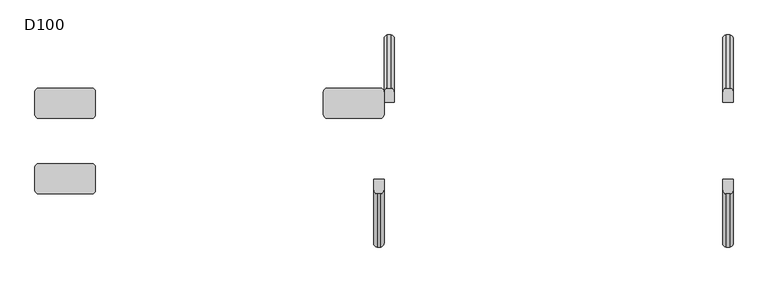
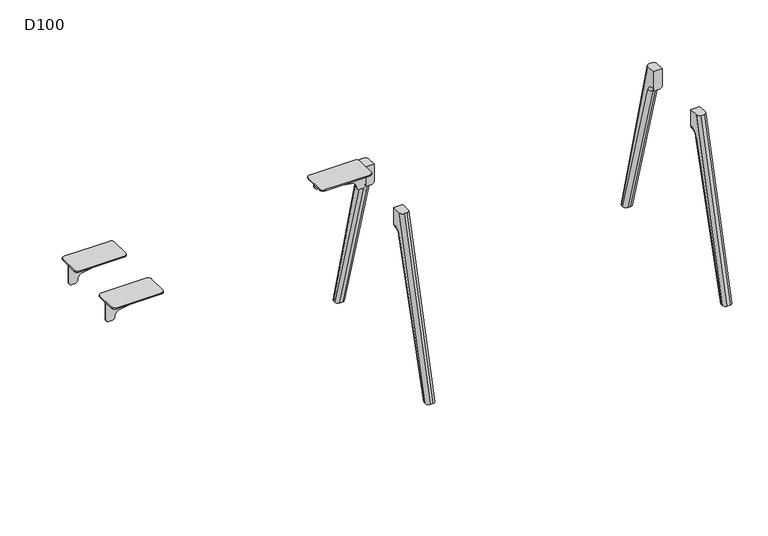
"""IFC4 building model written with IfcOpenShell, lengths in millimetres: furniture geometry, D100."""

from ifc_helpers import new_model, si_unit, point, frame, origin, place, context, project, spatial, polyline, circle_curve, ellipse_curve, trimmed, source, transform, mapped, element, save
from ifc_brep_helpers import plane_surface, cylinder_surface, revolved_surface, advanced_brep


def d100_d6669118(model_context):
    return source(origin(), model_context, "Body", "AdvancedBrep", [
        advanced_brep(
        [(-69.7259826, 165.2234902, 821.5334099), (-243.5086325, 165.2234902, 852.5006338), (-260.0, 165.2234902, 872.1904661), (-260.0, 165.2234902, 880.0006338), (0.0, 165.2234902, 880.0006338), (0.0, 165.2234902, 791.0006338), (-15.0, 165.2234902, 776.0006338), (-30.0, 165.2234902, 776.0006338), (-44.9963104, 165.2234902, 791.3333097), (-69.7259826, 159.2234902, 821.5334099), (-44.9963104, 159.2234902, 791.3333097), (-30.0, 159.2234902, 776.0006338), (-15.0, 159.2234902, 776.0006338), (0.0, 159.2234902, 791.0006338), (0.0, 159.2234902, 880.0006338), (-260.0, 159.2234902, 880.0006338), (-260.0, 159.2234902, 872.1904661), (-243.5086325, 159.2234902, 852.5006338), (0.0, 113.2234902, 886.0006338), (0.0, 113.2234902, 880.0006338), (0.0, 211.2234902, 880.0006338), (0.0, 211.2234902, 886.0006338), (-16.0, 227.2234902, 886.0006338), (-244.0, 227.2234902, 886.0006338), (-260.0, 211.2234902, 886.0006338), (-260.0, 113.2234902, 886.0006338), (-244.0, 97.2234902, 886.0006338), (-16.0, 97.2234902, 886.0006338), (-260.0, 211.2234902, 880.0006338), (-260.0, 113.2234902, 880.0006338), (-16.0, 97.2234902, 880.0006338), (-244.0, 97.2234902, 880.0006338), (-244.0, 227.2234902, 880.0006338), (-16.0, 227.2234902, 880.0006338)],
        [
            (0, 1),
            (1, 2, circle_curve(frame((-240.0, 165.2234902, 872.1904661), z_axis=(0.0, 1.0, 0.0), x_axis=(1.0, 0.0, 0.0)), 20.0)),
            (2, 3),
            (3, 4),
            (4, 5),
            (5, 6, circle_curve(frame((-15.0, 165.2234902, 791.0006338), z_axis=(0.0, 1.0, 0.0), x_axis=(1.0, 0.0, 0.0)), 15.0)),
            (6, 7),
            (7, 8, circle_curve(frame((-30.0, 165.2234902, 791.0006338), z_axis=(0.0, 1.0, 0.0), x_axis=(1.0, 0.0, 0.0)), 15.0)),
            (8, 0, circle_curve(frame((-74.9889313, 165.2234902, 791.9986614), z_axis=(0.0, -1.0, 0.0), x_axis=(1.0, 0.0, 0.0)), 30.0)),
            (9, 10, circle_curve(frame((-74.9889313, 159.2234902, 791.9986614), z_axis=(0.0, 1.0, 0.0), x_axis=(1.0, 0.0, 0.0)), 30.0)),
            (10, 11, circle_curve(frame((-30.0, 159.2234902, 791.0006338), z_axis=(0.0, -1.0, 0.0), x_axis=(1.0, 0.0, 0.0)), 15.0)),
            (11, 12),
            (12, 13, circle_curve(frame((-15.0, 159.2234902, 791.0006338), z_axis=(0.0, -1.0, 0.0), x_axis=(1.0, 0.0, 0.0)), 15.0)),
            (13, 14),
            (14, 15),
            (15, 16),
            (16, 17, circle_curve(frame((-240.0, 159.2234902, 872.1904661), z_axis=(0.0, -1.0, 0.0), x_axis=(1.0, 0.0, 0.0)), 20.0)),
            (17, 9),
            (8, 10),
            (9, 0),
            (18, 19),
            (19, 14),
            (13, 5),
            (4, 20),
            (20, 21),
            (21, 18),
            (21, 22, circle_curve(frame((-16.0, 211.2234902, 886.0006338), z_axis=(0.0, 0.0, 1.0), x_axis=(-1.0, 0.0, 0.0)), 16.0)),
            (22, 23),
            (23, 24, circle_curve(frame((-244.0, 211.2234902, 886.0006338), z_axis=(0.0, 0.0, 1.0), x_axis=(-1.0, 0.0, 0.0)), 16.0)),
            (24, 25),
            (25, 26, circle_curve(frame((-244.0, 113.2234902, 886.0006338), z_axis=(0.0, 0.0, 1.0), x_axis=(-1.0, 0.0, 0.0)), 16.0)),
            (26, 27),
            (27, 18, circle_curve(frame((-16.0, 113.2234902, 886.0006338), z_axis=(0.0, 0.0, 1.0), x_axis=(-1.0, 0.0, 0.0)), 16.0)),
            (24, 28),
            (28, 3),
            (2, 16),
            (15, 29),
            (29, 25),
            (1, 17),
            (7, 11),
            (6, 12),
            (30, 31),
            (31, 29, circle_curve(frame((-244.0, 113.2234902, 880.0006338), z_axis=(0.0, 0.0, -1.0), x_axis=(-1.0, 0.0, 0.0)), 16.0)),
            (19, 30, circle_curve(frame((-16.0, 113.2234902, 880.0006338), z_axis=(0.0, 0.0, -1.0), x_axis=(-1.0, 0.0, 0.0)), 16.0)),
            (28, 32, circle_curve(frame((-244.0, 211.2234902, 880.0006338), z_axis=(0.0, 0.0, -1.0), x_axis=(-1.0, 0.0, 0.0)), 16.0)),
            (32, 33),
            (33, 20, circle_curve(frame((-16.0, 211.2234902, 880.0006338), z_axis=(0.0, 0.0, -1.0), x_axis=(-1.0, 0.0, 0.0)), 16.0)),
            (27, 30),
            (33, 22),
            (32, 23),
            (31, 26),
        ],
        [
            plane_surface(frame((-243.5086325, 165.2234902, 852.5006338), z_axis=(0.0, 1.0000000000000002, 0.0), x_axis=(-0.9844916178685641, 0.0, 0.175431622994651))),
            plane_surface(frame((-243.5086325, 159.2234902, 852.5006338), z_axis=(0.0, -1.0000000000000002, 0.0), x_axis=(0.9844916178685641, 0.0, -0.175431622994651))),
            revolved_surface(polyline([(-44.988931300000004, 159.2234902, 791.9986614), (-44.988931300000004, 165.2234902, 791.9986614)]), (-74.9889313, 159.2234902, 791.9986614), (0.0, -1.0, 0.0)),
            plane_surface(frame((0.0, 165.2234902, 886.0006338), z_axis=(1.0, 0.0, 0.0), x_axis=(0.0, -1.0, 0.0))),
            plane_surface(frame((-260.0, 165.2234902, 886.0006338), z_axis=(0.0, 0.0, 1.0), x_axis=(0.0, -1.0, 0.0))),
            plane_surface(frame((-260.0, 165.2234902, 872.1904661), z_axis=(-1.0, 0.0, 0.0), x_axis=(0.0, -1.0, 0.0))),
            cylinder_surface(frame((-240.0, 159.2234902, 872.1904661), z_axis=(0.0, 1.0, 0.0), x_axis=(1.0, 0.0, 0.0)), 20.0),
            plane_surface(frame((-69.7259826, 165.2234902, 821.5334099), z_axis=(-0.175431622994651, 0.0, -0.9844916178685641), x_axis=(0.0, -1.0, 0.0))),
            cylinder_surface(frame((-30.0, 159.2234902, 791.0006338), z_axis=(0.0, 1.0, 0.0), x_axis=(1.0, 0.0, 0.0)), 15.0),
            plane_surface(frame((-15.0, 165.2234902, 776.0006338), z_axis=(0.0, 0.0, -1.0), x_axis=(0.0, -1.0, 0.0))),
            cylinder_surface(frame((-15.0, 159.2234902, 791.0006338), z_axis=(0.0, 1.0, 0.0), x_axis=(1.0, 0.0, 0.0)), 15.0),
            plane_surface(frame((-32.0, 113.2234902, 880.0006338), z_axis=(0.0, 0.0, -1.0), x_axis=(0.0, 1.0, 0.0))),
            cylinder_surface(frame((-16.0, 113.2234902, 880.0006338), z_axis=(0.0, 0.0, 1.0), x_axis=(-1.0, 0.0, 0.0)), 16.0),
            cylinder_surface(frame((-16.0, 211.2234902, 880.0006338), z_axis=(0.0, 0.0, 1.0), x_axis=(-1.0, 0.0, 0.0)), 16.0),
            plane_surface(frame((-16.0, 227.2234902, 886.0006338), z_axis=(0.0, 1.0, 0.0), x_axis=(0.0, 0.0, -1.0))),
            cylinder_surface(frame((-244.0, 211.2234902, 880.0006338), z_axis=(0.0, 0.0, 1.0), x_axis=(-1.0, 0.0, 0.0)), 16.0),
            cylinder_surface(frame((-244.0, 113.2234902, 880.0006338), z_axis=(0.0, 0.0, 1.0), x_axis=(-1.0, 0.0, 0.0)), 16.0),
            plane_surface(frame((-244.0, 97.2234902, 886.0006338), z_axis=(0.0, -1.0, 0.0), x_axis=(0.0, 0.0, -1.0))),
        ],
        [
            (0, [[1, 2, 3, 4, 5, 6, 7, 8, 9]]),
            (1, [[10, 11, 12, 13, 14, 15, 16, 17, 18]]),
            (2, [[-9, 19, -10, 20]]),
            (3, [[21, 22, -14, 23, -5, 24, 25, 26]]),
            (4, [[-26, 27, 28, 29, 30, 31, 32, 33]]),
            (5, [[-30, 34, 35, -3, 36, -16, 37, 38]]),
            (6, [[-2, 39, -17, -36]]),
            (7, [[-1, -20, -18, -39]]),
            (8, [[-8, 40, -11, -19]]),
            (9, [[-7, 41, -12, -40]]),
            (10, [[-6, -23, -13, -41]]),
            (11, [[42, 43, -37, -15, -22, 44]]),
            (11, [[45, 46, 47, -24, -4, -35]]),
            (12, [[-33, 48, -44, -21]]),
            (13, [[-27, -25, -47, 49]]),
            (14, [[-28, -49, -46, 50]]),
            (15, [[-29, -50, -45, -34]]),
            (16, [[-31, -38, -43, 51]]),
            (17, [[-32, -51, -42, -48]]),
        ],
    ),
        advanced_brep(
        [(-1429.2740174, -165.2234902, 821.5334099), (-1255.4913675, -165.2234902, 852.5006338), (-1239.0, -165.2234902, 872.1904661), (-1239.0, -165.2234902, 880.0006338), (-1499.0, -165.2234902, 880.0006338), (-1499.0, -165.2234902, 791.0006338), (-1484.0, -165.2234902, 776.0006338), (-1469.0, -165.2234902, 776.0006338), (-1454.0036896, -165.2234902, 791.3333097), (-1429.2740174, -159.2234902, 821.5334099), (-1454.0036896, -159.2234902, 791.3333097), (-1469.0, -159.2234902, 776.0006338), (-1484.0, -159.2234902, 776.0006338), (-1499.0, -159.2234902, 791.0006338), (-1499.0, -159.2234902, 880.0006338), (-1239.0, -159.2234902, 880.0006338), (-1239.0, -159.2234902, 872.1904661), (-1255.4913675, -159.2234902, 852.5006338), (-1499.0, -113.2234902, 886.0006338), (-1499.0, -113.2234902, 880.0006338), (-1499.0, -211.2234902, 880.0006338), (-1499.0, -211.2234902, 886.0006338), (-1483.0, -227.2234902, 886.0006338), (-1255.0, -227.2234902, 886.0006338), (-1239.0, -211.2234902, 886.0006338), (-1239.0, -113.2234902, 886.0006338), (-1255.0, -97.2234902, 886.0006338), (-1483.0, -97.2234902, 886.0006338), (-1239.0, -211.2234902, 880.0006338), (-1239.0, -113.2234902, 880.0006338), (-1483.0, -97.2234902, 880.0006338), (-1255.0, -97.2234902, 880.0006338), (-1255.0, -227.2234902, 880.0006338), (-1483.0, -227.2234902, 880.0006338)],
        [
            (0, 1),
            (1, 2, circle_curve(frame((-1259.0, -165.2234902, 872.1904661), z_axis=(0.0, -1.0, 0.0), x_axis=(-1.0, 0.0, 0.0)), 20.0)),
            (2, 3),
            (3, 4),
            (4, 5),
            (5, 6, circle_curve(frame((-1484.0, -165.2234902, 791.0006338), z_axis=(0.0, -1.0, 0.0), x_axis=(-1.0, 0.0, 0.0)), 15.0)),
            (6, 7),
            (7, 8, circle_curve(frame((-1469.0, -165.2234902, 791.0006338), z_axis=(0.0, -1.0, 0.0), x_axis=(-1.0, 0.0, 0.0)), 15.0)),
            (8, 0, circle_curve(frame((-1424.0110687, -165.2234902, 791.9986614), z_axis=(0.0, 1.0, 0.0), x_axis=(-1.0, 0.0, 0.0)), 30.0)),
            (9, 10, circle_curve(frame((-1424.0110687, -159.2234902, 791.9986614), z_axis=(0.0, -1.0, 0.0), x_axis=(-1.0, 0.0, 0.0)), 30.0)),
            (10, 11, circle_curve(frame((-1469.0, -159.2234902, 791.0006338), z_axis=(0.0, 1.0, 0.0), x_axis=(-1.0, 0.0, 0.0)), 15.0)),
            (11, 12),
            (12, 13, circle_curve(frame((-1484.0, -159.2234902, 791.0006338), z_axis=(0.0, 1.0, 0.0), x_axis=(-1.0, 0.0, 0.0)), 15.0)),
            (13, 14),
            (14, 15),
            (15, 16),
            (16, 17, circle_curve(frame((-1259.0, -159.2234902, 872.1904661), z_axis=(0.0, 1.0, 0.0), x_axis=(-1.0, 0.0, 0.0)), 20.0)),
            (17, 9),
            (8, 10),
            (9, 0),
            (18, 19),
            (19, 14),
            (13, 5),
            (4, 20),
            (20, 21),
            (21, 18),
            (21, 22, circle_curve(frame((-1483.0, -211.2234902, 886.0006338), z_axis=(0.0, 0.0, 1.0), x_axis=(1.0, 0.0, 0.0)), 16.0)),
            (22, 23),
            (23, 24, circle_curve(frame((-1255.0, -211.2234902, 886.0006338), z_axis=(0.0, 0.0, 1.0), x_axis=(1.0, 0.0, 0.0)), 16.0)),
            (24, 25),
            (25, 26, circle_curve(frame((-1255.0, -113.2234902, 886.0006338), z_axis=(0.0, 0.0, 1.0), x_axis=(1.0, 0.0, 0.0)), 16.0)),
            (26, 27),
            (27, 18, circle_curve(frame((-1483.0, -113.2234902, 886.0006338), z_axis=(0.0, 0.0, 1.0), x_axis=(1.0, 0.0, 0.0)), 16.0)),
            (24, 28),
            (28, 3),
            (2, 16),
            (15, 29),
            (29, 25),
            (1, 17),
            (7, 11),
            (6, 12),
            (30, 31),
            (31, 29, circle_curve(frame((-1255.0, -113.2234902, 880.0006338), z_axis=(0.0, 0.0, -1.0), x_axis=(1.0, 0.0, 0.0)), 16.0)),
            (19, 30, circle_curve(frame((-1483.0, -113.2234902, 880.0006338), z_axis=(0.0, 0.0, -1.0), x_axis=(1.0, 0.0, 0.0)), 16.0)),
            (28, 32, circle_curve(frame((-1255.0, -211.2234902, 880.0006338), z_axis=(0.0, 0.0, -1.0), x_axis=(1.0, 0.0, 0.0)), 16.0)),
            (32, 33),
            (33, 20, circle_curve(frame((-1483.0, -211.2234902, 880.0006338), z_axis=(0.0, 0.0, -1.0), x_axis=(1.0, 0.0, 0.0)), 16.0)),
            (27, 30),
            (33, 22),
            (32, 23),
            (31, 26),
        ],
        [
            plane_surface(frame((-1255.4913675, -165.2234902, 852.5006338), z_axis=(0.0, -1.0, 0.0), x_axis=(0.9844916178685639, 0.0, 0.17543162299465165))),
            plane_surface(frame((-1255.4913675, -159.2234902, 852.5006338), z_axis=(0.0, 1.0, 0.0), x_axis=(-0.9844916178685639, 0.0, -0.17543162299465165))),
            revolved_surface(polyline([(-1454.0110687, -159.2234902, 791.9986614), (-1454.0110687, -165.2234902, 791.9986614)]), (-1424.0110687, -159.2234902, 791.9986614), (0.0, 1.0, 0.0)),
            plane_surface(frame((-1499.0, -165.2234902, 886.0006338), z_axis=(-1.0, 0.0, 0.0), x_axis=(0.0, 1.0, 0.0))),
            plane_surface(frame((-1239.0, -165.2234902, 886.0006338), z_axis=(0.0, 0.0, 1.0), x_axis=(0.0, 1.0, 0.0))),
            plane_surface(frame((-1239.0, -165.2234902, 872.1904661), z_axis=(1.0, 0.0, 0.0), x_axis=(0.0, 1.0, 0.0))),
            cylinder_surface(frame((-1259.0, -159.2234902, 872.1904661), z_axis=(0.0, -1.0, 0.0), x_axis=(-1.0, 0.0, 0.0)), 20.0),
            plane_surface(frame((-1429.2740174, -165.2234902, 821.5334099), z_axis=(0.17543162299465165, 0.0, -0.9844916178685639), x_axis=(0.0, 1.0, 0.0))),
            cylinder_surface(frame((-1469.0, -159.2234902, 791.0006338), z_axis=(0.0, -1.0, 0.0), x_axis=(-1.0, 0.0, 0.0)), 15.0),
            plane_surface(frame((-1484.0, -165.2234902, 776.0006338), z_axis=(0.0, 0.0, -1.0), x_axis=(0.0, 1.0, 0.0))),
            cylinder_surface(frame((-1484.0, -159.2234902, 791.0006338), z_axis=(0.0, -1.0, 0.0), x_axis=(-1.0, 0.0, 0.0)), 15.0),
            plane_surface(frame((-1467.0, -113.2234902, 880.0006338), z_axis=(0.0, 0.0, -1.0), x_axis=(0.0, -1.0, 0.0))),
            cylinder_surface(frame((-1483.0, -113.2234902, 880.0006338), z_axis=(0.0, 0.0, 1.0), x_axis=(1.0, 0.0, 0.0)), 16.0),
            cylinder_surface(frame((-1483.0, -211.2234902, 880.0006338), z_axis=(0.0, 0.0, 1.0), x_axis=(1.0, 0.0, 0.0)), 16.0),
            plane_surface(frame((-1483.0, -227.2234902, 886.0006338), z_axis=(0.0, -1.0, 0.0), x_axis=(0.0, 0.0, -1.0))),
            cylinder_surface(frame((-1255.0, -211.2234902, 880.0006338), z_axis=(0.0, 0.0, 1.0), x_axis=(1.0, 0.0, 0.0)), 16.0),
            cylinder_surface(frame((-1255.0, -113.2234902, 880.0006338), z_axis=(0.0, 0.0, 1.0), x_axis=(1.0, 0.0, 0.0)), 16.0),
            plane_surface(frame((-1255.0, -97.2234902, 886.0006338), z_axis=(0.0, 1.0, 0.0), x_axis=(0.0, 0.0, -1.0))),
        ],
        [
            (0, [[1, 2, 3, 4, 5, 6, 7, 8, 9]]),
            (1, [[10, 11, 12, 13, 14, 15, 16, 17, 18]]),
            (2, [[-9, 19, -10, 20]]),
            (3, [[21, 22, -14, 23, -5, 24, 25, 26]]),
            (4, [[-26, 27, 28, 29, 30, 31, 32, 33]]),
            (5, [[-30, 34, 35, -3, 36, -16, 37, 38]]),
            (6, [[-2, 39, -17, -36]]),
            (7, [[-1, -20, -18, -39]]),
            (8, [[-8, 40, -11, -19]]),
            (9, [[-7, 41, -12, -40]]),
            (10, [[-6, -23, -13, -41]]),
            (11, [[42, 43, -37, -15, -22, 44]]),
            (11, [[45, 46, 47, -24, -4, -35]]),
            (12, [[-33, 48, -44, -21]]),
            (13, [[-27, -25, -47, 49]]),
            (14, [[-28, -49, -46, 50]]),
            (15, [[-29, -50, -45, -34]]),
            (16, [[-31, -38, -43, 51]]),
            (17, [[-32, -51, -42, -48]]),
        ],
    ),
        advanced_brep(
        [(-1429.2740174, 165.2234902, 821.5334099), (-1454.0036896, 165.2234902, 791.3333097), (-1469.0, 165.2234902, 776.0006338), (-1484.0, 165.2234902, 776.0006338), (-1499.0, 165.2234902, 791.0006338), (-1499.0, 165.2234902, 880.0006338), (-1239.0, 165.2234902, 880.0006338), (-1239.0, 165.2234902, 872.1904661), (-1255.4913675, 165.2234902, 852.5006338), (-1429.2740174, 159.2234902, 821.5334099), (-1255.4913675, 159.2234902, 852.5006338), (-1239.0, 159.2234902, 872.1904661), (-1239.0, 159.2234902, 880.0006338), (-1499.0, 159.2234902, 880.0006338), (-1499.0, 159.2234902, 791.0006338), (-1484.0, 159.2234902, 776.0006338), (-1469.0, 159.2234902, 776.0006338), (-1454.0036896, 159.2234902, 791.3333097), (-1499.0, 113.2234902, 880.0006338), (-1499.0, 113.2234902, 886.0006338), (-1499.0, 211.2234902, 886.0006338), (-1499.0, 211.2234902, 880.0006338), (-1483.0, 97.2234902, 886.0006338), (-1255.0, 97.2234902, 886.0006338), (-1239.0, 113.2234902, 886.0006338), (-1239.0, 211.2234902, 886.0006338), (-1255.0, 227.2234902, 886.0006338), (-1483.0, 227.2234902, 886.0006338), (-1239.0, 113.2234902, 880.0006338), (-1239.0, 211.2234902, 880.0006338), (-1483.0, 97.2234902, 880.0006338), (-1255.0, 97.2234902, 880.0006338), (-1483.0, 227.2234902, 880.0006338), (-1255.0, 227.2234902, 880.0006338)],
        [
            (0, 1, circle_curve(frame((-1424.0110687, 165.2234902, 791.9986614), z_axis=(0.0, -1.0, 0.0), x_axis=(-1.0, 0.0, 0.0)), 30.0)),
            (1, 2, circle_curve(frame((-1469.0, 165.2234902, 791.0006338), z_axis=(0.0, 1.0, 0.0), x_axis=(-1.0, 0.0, 0.0)), 15.0)),
            (2, 3),
            (3, 4, circle_curve(frame((-1484.0, 165.2234902, 791.0006338), z_axis=(0.0, 1.0, 0.0), x_axis=(-1.0, 0.0, 0.0)), 15.0)),
            (4, 5),
            (5, 6),
            (6, 7),
            (7, 8, circle_curve(frame((-1259.0, 165.2234902, 872.1904661), z_axis=(0.0, 1.0, 0.0), x_axis=(-1.0, 0.0, 0.0)), 20.0)),
            (8, 0),
            (9, 10),
            (10, 11, circle_curve(frame((-1259.0, 159.2234902, 872.1904661), z_axis=(0.0, -1.0, 0.0), x_axis=(-1.0, 0.0, 0.0)), 20.0)),
            (11, 12),
            (12, 13),
            (13, 14),
            (14, 15, circle_curve(frame((-1484.0, 159.2234902, 791.0006338), z_axis=(0.0, -1.0, 0.0), x_axis=(-1.0, 0.0, 0.0)), 15.0)),
            (15, 16),
            (16, 17, circle_curve(frame((-1469.0, 159.2234902, 791.0006338), z_axis=(0.0, -1.0, 0.0), x_axis=(-1.0, 0.0, 0.0)), 15.0)),
            (17, 9, circle_curve(frame((-1424.0110687, 159.2234902, 791.9986614), z_axis=(0.0, 1.0, 0.0), x_axis=(-1.0, 0.0, 0.0)), 30.0)),
            (0, 9),
            (17, 1),
            (4, 14),
            (13, 18),
            (18, 19),
            (19, 20),
            (20, 21),
            (21, 5),
            (19, 22, circle_curve(frame((-1483.0, 113.2234902, 886.0006338), z_axis=(0.0, 0.0, 1.0), x_axis=(1.0, 0.0, 0.0)), 16.0)),
            (22, 23),
            (23, 24, circle_curve(frame((-1255.0, 113.2234902, 886.0006338), z_axis=(0.0, 0.0, 1.0), x_axis=(1.0, 0.0, 0.0)), 16.0)),
            (24, 25),
            (25, 26, circle_curve(frame((-1255.0, 211.2234902, 886.0006338), z_axis=(0.0, 0.0, 1.0), x_axis=(1.0, 0.0, 0.0)), 16.0)),
            (26, 27),
            (27, 20, circle_curve(frame((-1483.0, 211.2234902, 886.0006338), z_axis=(0.0, 0.0, 1.0), x_axis=(1.0, 0.0, 0.0)), 16.0)),
            (24, 28),
            (28, 12),
            (11, 7),
            (6, 29),
            (29, 25),
            (10, 8),
            (16, 2),
            (15, 3),
            (30, 18, circle_curve(frame((-1483.0, 113.2234902, 880.0006338), z_axis=(0.0, 0.0, -1.0), x_axis=(1.0, 0.0, 0.0)), 16.0)),
            (28, 31, circle_curve(frame((-1255.0, 113.2234902, 880.0006338), z_axis=(0.0, 0.0, -1.0), x_axis=(1.0, 0.0, 0.0)), 16.0)),
            (31, 30),
            (21, 32, circle_curve(frame((-1483.0, 211.2234902, 880.0006338), z_axis=(0.0, 0.0, -1.0), x_axis=(1.0, 0.0, 0.0)), 16.0)),
            (32, 33),
            (33, 29, circle_curve(frame((-1255.0, 211.2234902, 880.0006338), z_axis=(0.0, 0.0, -1.0), x_axis=(1.0, 0.0, 0.0)), 16.0)),
            (30, 22),
            (27, 32),
            (26, 33),
            (23, 31),
        ],
        [
            plane_surface(frame((-1454.0110687, 165.2234902, 791.9986614), z_axis=(0.0, 1.0, 0.0), x_axis=(0.0, 0.0, -1.0))),
            plane_surface(frame((-1454.0110687, 159.2234902, 791.9986614), z_axis=(0.0, -1.0, 0.0), x_axis=(0.0, 0.0, 1.0))),
            revolved_surface(polyline([(-1454.0110687, 159.2234902, 791.9986614), (-1454.0110687, 165.2234902, 791.9986614)]), (-1424.0110687, 159.2234902, 791.9986614), (0.0, -1.0, 0.0)),
            plane_surface(frame((-1499.0, 165.2234902, 791.0006338), z_axis=(-1.0, 0.0, 0.0), x_axis=(0.0, -1.0, 0.0))),
            plane_surface(frame((-1499.0, 165.2234902, 886.0006338), z_axis=(0.0, 0.0, 1.0), x_axis=(0.0, -1.0, 0.0))),
            plane_surface(frame((-1239.0, 165.2234902, 886.0006338), z_axis=(1.0, 0.0, 0.0), x_axis=(0.0, -1.0, 0.0))),
            cylinder_surface(frame((-1259.0, 159.2234902, 872.1904661), z_axis=(0.0, 1.0, 0.0), x_axis=(-1.0, 0.0, 0.0)), 20.0),
            plane_surface(frame((-1255.4913675, 165.2234902, 852.5006338), z_axis=(0.17543162299464993, 0.0, -0.9844916178685643), x_axis=(0.0, -1.0, 0.0))),
            cylinder_surface(frame((-1469.0, 159.2234902, 791.0006338), z_axis=(0.0, 1.0, 0.0), x_axis=(-1.0, 0.0, 0.0)), 15.0),
            plane_surface(frame((-1469.0, 165.2234902, 776.0006338), z_axis=(0.0, 0.0, -1.0), x_axis=(0.0, -1.0, 0.0))),
            cylinder_surface(frame((-1484.0, 159.2234902, 791.0006338), z_axis=(0.0, 1.0, 0.0), x_axis=(-1.0, 0.0, 0.0)), 15.0),
            plane_surface(frame((-1255.0, 97.2234902, 880.0006338), z_axis=(0.0, 0.0, -1.0), x_axis=(-1.0, 0.0, 0.0))),
            cylinder_surface(frame((-1483.0, 113.2234902, 880.0006338), z_axis=(0.0, 0.0, 1.0), x_axis=(1.0, 0.0, 0.0)), 16.0),
            cylinder_surface(frame((-1483.0, 211.2234902, 880.0006338), z_axis=(0.0, 0.0, 1.0), x_axis=(1.0, 0.0, 0.0)), 16.0),
            plane_surface(frame((-1255.0, 227.2234902, 886.0006338), z_axis=(0.0, 1.0, 0.0), x_axis=(0.0, 0.0, -1.0))),
            cylinder_surface(frame((-1255.0, 211.2234902, 880.0006338), z_axis=(0.0, 0.0, 1.0), x_axis=(1.0, 0.0, 0.0)), 16.0),
            cylinder_surface(frame((-1255.0, 113.2234902, 880.0006338), z_axis=(0.0, 0.0, 1.0), x_axis=(1.0, 0.0, 0.0)), 16.0),
            plane_surface(frame((-1483.0, 97.2234902, 886.0006338), z_axis=(0.0, -1.0, 0.0), x_axis=(0.0, 0.0, -1.0))),
        ],
        [
            (0, [[1, 2, 3, 4, 5, 6, 7, 8, 9]]),
            (1, [[10, 11, 12, 13, 14, 15, 16, 17, 18]]),
            (2, [[-1, 19, -18, 20]]),
            (3, [[21, -14, 22, 23, 24, 25, 26, -5]]),
            (4, [[-24, 27, 28, 29, 30, 31, 32, 33]]),
            (5, [[-30, 34, 35, -12, 36, -7, 37, 38]]),
            (6, [[-8, -36, -11, 39]]),
            (7, [[-9, -39, -10, -19]]),
            (8, [[-2, -20, -17, 40]]),
            (9, [[-3, -40, -16, 41]]),
            (10, [[-4, -41, -15, -21]]),
            (11, [[42, -22, -13, -35, 43, 44]]),
            (11, [[45, 46, 47, -37, -6, -26]]),
            (12, [[-27, -23, -42, 48]]),
            (13, [[-33, 49, -45, -25]]),
            (14, [[-32, 50, -46, -49]]),
            (15, [[-31, -38, -47, -50]]),
            (16, [[-29, 51, -43, -34]]),
            (17, [[-28, -48, -44, -51]]),
        ],
    ),
        advanced_brep(
        [(1484.0, -196.7124504, 753.5883612), (1499.0, -211.1253977, 757.7437132), (1499.0, -429.58813, 0.0), (1484.0, -413.9771661, 0.0), (1454.0, -211.1253977, 757.7437132), (1469.0, -196.7124504, 753.5883612), (1469.0, -413.9771661, 0.0), (1454.0, -429.58813, 0.0), (1499.0, -166.9256926, 791.0006338), (1484.0, -166.9256926, 776.0006338), (1484.0, -165.2234902, 776.0006338), (1499.0, -165.2234902, 791.0006338), (1469.0, -166.9256926, 776.0006338), (1454.0, -166.9256926, 791.0006338), (1454.0, -165.2234902, 791.0006338), (1469.0, -165.2234902, 776.0006338), (1454.0, -165.2234902, 880.0006338), (1454.0, -439.8031746, 0.0), (1454.0, -211.7278851, 880.0006338), (1499.0, -165.2234902, 880.0006338), (1499.0, -211.7278851, 880.0006338), (1499.0, -439.8031746, 0.0), (1484.0, -455.2987797, 0.0), (1469.0, -455.2987797, 0.0), (1484.0, -227.2234902, 880.0006338), (1469.0, -227.2234902, 880.0006338)],
        [
            (0, 1, circle_curve(frame((1484.0, -211.1253977, 757.7437132), z_axis=(0.0, -0.2770234661368847, -0.9608631532166827), x_axis=(0.0, 0.9608631532166827, -0.2770234661368847)), 15.0)),
            (1, 2),
            (2, 3, ellipse_curve(frame((1484.0, -429.58813, 0.0), z_axis=(0.0, 0.0, 1.0), x_axis=(0.0, 1.0, 0.0)), 15.6109639, 15.0)),
            (3, 0),
            (4, 5, circle_curve(frame((1469.0, -211.1253977, 757.7437132), z_axis=(0.0, -0.2770234661368847, -0.9608631532166827), x_axis=(0.0, 0.9608631532166827, -0.2770234661368847)), 15.0)),
            (5, 6),
            (6, 7, ellipse_curve(frame((1469.0, -429.58813, 0.0), z_axis=(0.0, 0.0, 1.0), x_axis=(0.0, 1.0, 0.0)), 15.6109639, 15.0)),
            (7, 4),
            (8, 9, circle_curve(frame((1484.0, -166.9256926, 791.0006338), z_axis=(0.0, 1.0, 0.0), x_axis=(0.0, 0.0, -1.0)), 15.0)),
            (9, 10),
            (10, 11, circle_curve(frame((1484.0, -165.2234902, 791.0006338), z_axis=(0.0, -1.0, 0.0), x_axis=(0.0, 0.0, -1.0)), 15.0)),
            (11, 8),
            (12, 13, circle_curve(frame((1469.0, -166.9256926, 791.0006338), z_axis=(0.0, 1.0, 0.0), x_axis=(0.0, 0.0, -1.0)), 15.0)),
            (13, 14),
            (14, 15, circle_curve(frame((1469.0, -165.2234902, 791.0006338), z_axis=(0.0, -1.0, 0.0), x_axis=(0.0, 0.0, -1.0)), 15.0)),
            (15, 12),
            (0, 9, circle_curve(frame((1484.0, -166.9256926, 745.0006338), z_axis=(-1.0, 0.0, 0.0), x_axis=(0.0, -0.9608631532166849, 0.2770234661368772)), 31.0)),
            (8, 1, circle_curve(frame((1499.0, -166.9256926, 745.0006338), z_axis=(1.0, 0.0, 0.0), x_axis=(0.0, -0.9608631532166849, 0.2770234661368772)), 46.0)),
            (4, 13, circle_curve(frame((1454.0, -166.9256926, 745.0006338), z_axis=(-1.0, 0.0, 0.0), x_axis=(0.0, -0.9608631532166849, 0.2770234661368772)), 46.0)),
            (12, 5, circle_curve(frame((1469.0, -166.9256926, 745.0006338), z_axis=(1.0, 0.0, 0.0), x_axis=(0.0, -0.9608631532166849, 0.2770234661368772)), 31.0)),
            (16, 14),
            (7, 17),
            (17, 18),
            (18, 16),
            (11, 19),
            (19, 20),
            (20, 21),
            (21, 2),
            (5, 0),
            (3, 6),
            (21, 22, ellipse_curve(frame((1484.0, -439.8031746, 0.0), z_axis=(0.0, 0.0, -1.0), x_axis=(0.0, 1.0, 0.0)), 15.4956051, 15.0)),
            (22, 23),
            (23, 17, ellipse_curve(frame((1469.0, -439.8031746, 0.0), z_axis=(0.0, 0.0, -1.0), x_axis=(0.0, 1.0, 0.0)), 15.4956051, 15.0)),
            (22, 24),
            (24, 25),
            (25, 23),
            (19, 16),
            (18, 25, ellipse_curve(frame((1469.0, -211.7278851, 880.0006338), z_axis=(0.0, 0.0, 1.0), x_axis=(0.0, 1.0, 0.0)), 15.4956051, 15.0)),
            (24, 20, ellipse_curve(frame((1484.0, -211.7278851, 880.0006338), z_axis=(0.0, 0.0, 1.0), x_axis=(0.0, 1.0, 0.0)), 15.4956051, 15.0)),
            (10, 15),
            (9, 12),
        ],
        [
            cylinder_surface(frame((1484.0, -448.1062889, -64.2307193), z_axis=(0.0, 0.2770234661368847, 0.9608631532166827), x_axis=(0.0, 0.9608631532166827, -0.2770234661368847)), 15.0),
            cylinder_surface(frame((1469.0, -448.1062889, -64.2307193), z_axis=(0.0, 0.2770234661368847, 0.9608631532166827), x_axis=(0.0, 0.9608631532166827, -0.2770234661368847)), 15.0),
            cylinder_surface(frame((1484.0, -166.9256926, 791.0006338), z_axis=(0.0, 1.0, 0.0), x_axis=(0.0, 0.0, -1.0)), 15.0),
            cylinder_surface(frame((1469.0, -166.9256926, 791.0006338), z_axis=(0.0, 1.0, 0.0), x_axis=(0.0, 0.0, -1.0)), 15.0),
            revolved_surface(trimmed(ellipse_curve(frame((1484.0, -211.1253977, 757.7437132), z_axis=(0.0, -0.27702346613687723, -0.9608631532166849), x_axis=(0.0, 0.9608631532166849, -0.27702346613687723)), 15.0, 15.0), [point((1484.0, -196.7124504, 753.5883612))], [point((1499.0, -211.1253977, 757.7437132))], True, "CARTESIAN"), (717.0, -166.9256926, 745.0006338), (-1.0, 0.0, 0.0)),
            revolved_surface(trimmed(ellipse_curve(frame((1469.0, -211.1253977, 757.7437132), z_axis=(0.0, -0.27702346613687723, -0.9608631532166849), x_axis=(0.0, 0.9608631532166849, -0.27702346613687723)), 15.0, 15.0), [point((1454.0, -211.1253977, 757.7437132))], [point((1469.0, -196.7124504, 753.5883612))], True, "CARTESIAN"), (717.0, -166.9256926, 745.0006338), (-1.0, 0.0, 0.0)),
            plane_surface(frame((1454.0, -413.4231192, 1.9217263), z_axis=(-1.0000000000000002, 0.0, 0.0), x_axis=(0.0, -0.2770234661368848, -0.9608631532166828))),
            plane_surface(frame((1499.0, -413.4231192, 1.9217263), z_axis=(1.0000000000000002, 0.0, 0.0), x_axis=(0.0, 0.2770234661368848, 0.9608631532166828))),
            plane_surface(frame((1454.0, -196.7124504, 753.5883612), z_axis=(0.0, 0.9608631532166828, -0.2770234661368848), x_axis=(1.0, 0.0, 0.0))),
            plane_surface(frame((1454.0, -413.9771661, 0.0), z_axis=(0.0, 0.0, -1.0), x_axis=(1.0, 0.0, 0.0))),
            plane_surface(frame((1454.0, -455.2987797, 0.0), z_axis=(0.0, -0.9680164090089575, 0.25088689062883046), x_axis=(1.0, 0.0, 0.0))),
            plane_surface(frame((1454.0, -227.2234902, 880.0006338), z_axis=(0.0, 0.0, 1.0), x_axis=(1.0, 0.0, 0.0))),
            plane_surface(frame((1454.0, -165.2234902, 880.0006338), z_axis=(0.0, 1.0, 0.0), x_axis=(1.0, 0.0, 0.0))),
            plane_surface(frame((1454.0, -165.2234902, 776.0006338), z_axis=(0.0, 0.0, -1.0), x_axis=(1.0, 0.0, 0.0))),
            revolved_surface(polyline([(1484.0, -135.9256926, 745.0006338), (1469.0, -135.9256926, 745.0006338)]), (1499.0, -166.9256926, 745.0006338), (1.0, 0.0, 0.0)),
            cylinder_surface(frame((1484.0, -457.7527706, -69.2563225), z_axis=(0.0, 0.25088689062883374, 0.9680164090089567), x_axis=(0.0, 0.9680164090089567, -0.25088689062883374)), 15.0),
            cylinder_surface(frame((1469.0, -457.7527706, -69.2563225), z_axis=(0.0, 0.25088689062883374, 0.9680164090089567), x_axis=(0.0, 0.9680164090089567, -0.25088689062883374)), 15.0),
        ],
        [
            (0, [[1, 2, 3, 4]]),
            (1, [[5, 6, 7, 8]]),
            (2, [[9, 10, 11, 12]]),
            (3, [[13, 14, 15, 16]]),
            (4, [[-1, 17, -9, 18]]),
            (5, [[-5, 19, -13, 20]]),
            (6, [[21, -14, -19, -8, 22, 23, 24]]),
            (7, [[25, 26, 27, 28, -2, -18, -12]]),
            (8, [[29, -4, 30, -6]]),
            (9, [[-30, -3, -28, 31, 32, 33, -22, -7]]),
            (10, [[-32, 34, 35, 36]]),
            (11, [[37, -24, 38, -35, 39, -26]]),
            (12, [[-37, -25, -11, 40, -15, -21]]),
            (13, [[-40, -10, 41, -16]]),
            (14, [[-29, -20, -41, -17]]),
            (15, [[-27, -39, -34, -31]]),
            (16, [[-23, -33, -36, -38]]),
        ],
    ),
        advanced_brep(
        [(1484.0, 166.9256926, 776.0006338), (1499.0, 166.9256926, 791.0006338), (1499.0, 165.2234902, 791.0006338), (1484.0, 165.2234902, 776.0006338), (1454.0, 166.9256926, 791.0006338), (1469.0, 166.9256926, 776.0006338), (1469.0, 165.2234902, 776.0006338), (1454.0, 165.2234902, 791.0006338), (1499.0, 211.1253977, 757.7437132), (1484.0, 196.7124504, 753.5883612), (1484.0, 413.9771661, 0.0), (1499.0, 429.58813, 0.0), (1469.0, 196.7124504, 753.5883612), (1454.0, 211.1253977, 757.7437132), (1454.0, 429.58813, 0.0), (1469.0, 413.9771661, 0.0), (1454.0, 165.2234902, 880.0006338), (1454.0, 211.7278851, 880.0006338), (1454.0, 439.8031746, 0.0), (1499.0, 165.2234902, 880.0006338), (1499.0, 439.8031746, 0.0), (1499.0, 211.7278851, 880.0006338), (1469.0, 455.2987797, 0.0), (1484.0, 455.2987797, 0.0), (1469.0, 227.2234902, 880.0006338), (1484.0, 227.2234902, 880.0006338)],
        [
            (0, 1, circle_curve(frame((1484.0, 166.9256926, 791.0006338), z_axis=(0.0, -1.0, 0.0), x_axis=(0.0, 0.0, -1.0)), 15.0)),
            (1, 2),
            (2, 3, circle_curve(frame((1484.0, 165.2234902, 791.0006338), z_axis=(0.0, 1.0, 0.0), x_axis=(0.0, 0.0, -1.0)), 15.0)),
            (3, 0),
            (4, 5, circle_curve(frame((1469.0, 166.9256926, 791.0006338), z_axis=(0.0, -1.0, 0.0), x_axis=(0.0, 0.0, -1.0)), 15.0)),
            (5, 6),
            (6, 7, circle_curve(frame((1469.0, 165.2234902, 791.0006338), z_axis=(0.0, 1.0, 0.0), x_axis=(0.0, 0.0, -1.0)), 15.0)),
            (7, 4),
            (8, 9, circle_curve(frame((1484.0, 211.1253977, 757.7437132), z_axis=(0.0, 0.277023466136888, -0.9608631532166818), x_axis=(0.0, -0.9608631532166818, -0.277023466136888)), 15.0)),
            (9, 10),
            (10, 11, ellipse_curve(frame((1484.0, 429.58813, 0.0), z_axis=(0.0, 0.0, 1.0), x_axis=(0.0, 1.0, 0.0)), 15.6109639, 15.0)),
            (11, 8),
            (12, 13, circle_curve(frame((1469.0, 211.1253977, 757.7437132), z_axis=(0.0, 0.277023466136888, -0.9608631532166818), x_axis=(0.0, -0.9608631532166818, -0.277023466136888)), 15.0)),
            (13, 14),
            (14, 15, ellipse_curve(frame((1469.0, 429.58813, 0.0), z_axis=(0.0, 0.0, 1.0), x_axis=(0.0, 1.0, 0.0)), 15.6109639, 15.0)),
            (15, 12),
            (0, 9, circle_curve(frame((1484.0, 166.9256926, 745.0006338), z_axis=(-1.0, 0.0, 0.0), x_axis=(0.0, 0.0, 1.0)), 31.0)),
            (8, 1, circle_curve(frame((1499.0, 166.9256926, 745.0006338), z_axis=(1.0, 0.0, 0.0), x_axis=(0.0, 0.0, 1.0)), 46.0)),
            (4, 13, circle_curve(frame((1454.0, 166.9256926, 745.0006338), z_axis=(-1.0, 0.0, 0.0), x_axis=(0.0, 0.0, 1.0)), 46.0)),
            (12, 5, circle_curve(frame((1469.0, 166.9256926, 745.0006338), z_axis=(1.0, 0.0, 0.0), x_axis=(0.0, 0.0, 1.0)), 31.0)),
            (7, 16),
            (16, 17),
            (17, 18),
            (18, 14),
            (19, 2),
            (11, 20),
            (20, 21),
            (21, 19),
            (15, 10),
            (9, 12),
            (18, 22, ellipse_curve(frame((1469.0, 439.8031746, 0.0), z_axis=(0.0, 0.0, -1.0), x_axis=(0.0, -1.0, 0.0)), 15.4956051, 15.0)),
            (22, 23),
            (23, 20, ellipse_curve(frame((1484.0, 439.8031746, 0.0), z_axis=(0.0, 0.0, -1.0), x_axis=(0.0, -1.0, 0.0)), 15.4956051, 15.0)),
            (22, 24),
            (24, 25),
            (25, 23),
            (16, 19),
            (21, 25, ellipse_curve(frame((1484.0, 211.7278851, 880.0006338), z_axis=(0.0, 0.0, 1.0), x_axis=(0.0, -1.0, 0.0)), 15.4956051, 15.0)),
            (24, 17, ellipse_curve(frame((1469.0, 211.7278851, 880.0006338), z_axis=(0.0, 0.0, 1.0), x_axis=(0.0, -1.0, 0.0)), 15.4956051, 15.0)),
            (6, 3),
            (5, 0),
        ],
        [
            cylinder_surface(frame((1484.0, -166.9256926, 791.0006338), z_axis=(0.0, 1.0, 0.0), x_axis=(0.0, 0.0, -1.0)), 15.0),
            cylinder_surface(frame((1469.0, -166.9256926, 791.0006338), z_axis=(0.0, 1.0, 0.0), x_axis=(0.0, 0.0, -1.0)), 15.0),
            cylinder_surface(frame((1484.0, 211.1253977, 757.7437132), z_axis=(0.0, 0.277023466136888, -0.9608631532166818), x_axis=(0.0, -0.9608631532166818, -0.277023466136888)), 15.0),
            cylinder_surface(frame((1469.0, 211.1253977, 757.7437132), z_axis=(0.0, 0.277023466136888, -0.9608631532166818), x_axis=(0.0, -0.9608631532166818, -0.277023466136888)), 15.0),
            revolved_surface(trimmed(ellipse_curve(frame((1484.0, 166.9256926, 791.0006338), z_axis=(0.0, -1.0, 0.0), x_axis=(0.0, 0.0, -1.0)), 15.0, 15.0), [point((1484.0, 166.9256926, 776.0006338))], [point((1499.0, 166.9256926, 791.0006338))], True, "CARTESIAN"), (717.0, 166.9256926, 745.0006338), (-1.0, 0.0, 0.0)),
            revolved_surface(trimmed(ellipse_curve(frame((1469.0, 166.9256926, 791.0006338), z_axis=(0.0, -1.0, 0.0), x_axis=(0.0, 0.0, -1.0)), 15.0, 15.0), [point((1454.0, 166.9256926, 791.0006338))], [point((1469.0, 166.9256926, 776.0006338))], True, "CARTESIAN"), (717.0, 166.9256926, 745.0006338), (-1.0, 0.0, 0.0)),
            plane_surface(frame((1454.0, 135.9256926, 745.0006338), z_axis=(-1.0, 0.0, 0.0), x_axis=(0.0, 0.0, -1.0))),
            plane_surface(frame((1499.0, 135.9256926, 745.0006338), z_axis=(1.0, 0.0, 0.0), x_axis=(0.0, 0.0, 1.0))),
            plane_surface(frame((1454.0, 413.9771661, 0.0), z_axis=(0.0, -0.9608631532166828, -0.2770234661368848), x_axis=(1.0, 0.0, 0.0))),
            plane_surface(frame((1454.0, 455.2987797, 0.0), z_axis=(0.0, 0.0, -1.0), x_axis=(1.0, 0.0, 0.0))),
            plane_surface(frame((1454.0, 227.2234902, 880.0006338), z_axis=(0.0, 0.9680164090089575, 0.25088689062883046), x_axis=(1.0, 0.0, 0.0))),
            plane_surface(frame((1454.0, 165.2234902, 880.0006338), z_axis=(0.0, 0.0, 1.0), x_axis=(1.0, 0.0, 0.0))),
            plane_surface(frame((1454.0, 165.2234902, 776.0006338), z_axis=(0.0, -1.0, 0.0), x_axis=(1.0, 0.0, 0.0))),
            plane_surface(frame((1454.0, 166.9256926, 776.0006338), z_axis=(0.0, 0.0, -1.0), x_axis=(1.0, 0.0, 0.0))),
            revolved_surface(polyline([(1484.0, 135.9256926, 745.0006338), (1469.0, 135.9256926, 745.0006338)]), (1499.0, 166.9256926, 745.0006338), (1.0, 0.0, 0.0)),
            cylinder_surface(frame((1484.0, 457.7527706, -69.2563225), z_axis=(0.0, -0.25088689062883374, 0.9680164090089567), x_axis=(0.0, 0.9680164090089567, 0.25088689062883374)), 15.0),
            cylinder_surface(frame((1469.0, 457.7527706, -69.2563225), z_axis=(0.0, -0.25088689062883374, 0.9680164090089567), x_axis=(0.0, 0.9680164090089567, 0.25088689062883374)), 15.0),
        ],
        [
            (0, [[1, 2, 3, 4]]),
            (1, [[5, 6, 7, 8]]),
            (2, [[9, 10, 11, 12]]),
            (3, [[13, 14, 15, 16]]),
            (4, [[-1, 17, -9, 18]]),
            (5, [[-5, 19, -13, 20]]),
            (6, [[21, 22, 23, 24, -14, -19, -8]]),
            (7, [[25, -2, -18, -12, 26, 27, 28]]),
            (8, [[29, -10, 30, -16]]),
            (9, [[-29, -15, -24, 31, 32, 33, -26, -11]]),
            (10, [[-32, 34, 35, 36]]),
            (11, [[37, -28, 38, -35, 39, -22]]),
            (12, [[-37, -21, -7, 40, -3, -25]]),
            (13, [[-40, -6, 41, -4]]),
            (14, [[-41, -20, -30, -17]]),
            (15, [[-27, -33, -36, -38]]),
            (16, [[-23, -39, -34, -31]]),
        ],
    ),
        advanced_brep(
        [(45.0, 211.7278851, 880.0006338), (45.0, 165.2234902, 880.0006338), (45.0, 165.2234902, 791.0006338), (45.0, 166.9256926, 791.0006338), (45.0, 211.1253977, 757.7437132), (45.0, 429.58813, 0.0), (45.0, 439.8031746, 0.0), (0.0, 165.2234902, 880.0006338), (0.0, 211.7278851, 880.0006338), (0.0, 439.8031746, 0.0), (0.0, 429.58813, 0.0), (0.0, 211.1253977, 757.7437132), (0.0, 166.9256926, 791.0006338), (0.0, 165.2234902, 791.0006338), (30.0, 196.7124504, 753.5883612), (15.0, 196.7124504, 753.5883612), (15.0, 413.9771661, 0.0), (30.0, 413.9771661, 0.0), (15.0, 455.2987797, 0.0), (30.0, 455.2987797, 0.0), (15.0, 227.2234902, 880.0006338), (30.0, 227.2234902, 880.0006338), (15.0, 165.2234902, 776.0006338), (30.0, 165.2234902, 776.0006338), (15.0, 166.9256926, 776.0006338), (30.0, 166.9256926, 776.0006338)],
        [
            (0, 1),
            (1, 2),
            (2, 3),
            (3, 4, circle_curve(frame((45.0, 166.9256926, 745.0006338), z_axis=(-1.0, 0.0, 0.0), x_axis=(0.0, 0.0, 1.0)), 46.0)),
            (4, 5),
            (5, 6),
            (6, 0),
            (7, 8),
            (8, 9),
            (9, 10),
            (10, 11),
            (11, 12, circle_curve(frame((0.0, 166.9256926, 745.0006338), z_axis=(1.0, 0.0, 0.0), x_axis=(0.0, 0.0, 1.0)), 46.0)),
            (12, 13),
            (13, 7),
            (14, 15),
            (15, 16),
            (16, 17),
            (17, 14),
            (18, 19),
            (19, 6, ellipse_curve(frame((30.0, 439.8031746, 0.0), z_axis=(0.0, 0.0, -1.0), x_axis=(0.0, -1.0, 0.0)), 15.4956051, 15.0)),
            (5, 17, ellipse_curve(frame((30.0, 429.58813, 0.0), z_axis=(0.0, 0.0, -1.0), x_axis=(0.0, 1.0, 0.0)), 15.6109639, 15.0)),
            (16, 10, ellipse_curve(frame((15.0, 429.58813, 0.0), z_axis=(0.0, 0.0, -1.0), x_axis=(0.0, 1.0, 0.0)), 15.6109639, 15.0)),
            (9, 18, ellipse_curve(frame((15.0, 439.8031746, 0.0), z_axis=(0.0, 0.0, -1.0), x_axis=(0.0, -1.0, 0.0)), 15.4956051, 15.0)),
            (18, 20),
            (20, 21),
            (21, 19),
            (7, 1),
            (0, 21, ellipse_curve(frame((30.0, 211.7278851, 880.0006338), z_axis=(0.0, 0.0, 1.0), x_axis=(0.0, -1.0, 0.0)), 15.4956051, 15.0)),
            (20, 8, ellipse_curve(frame((15.0, 211.7278851, 880.0006338), z_axis=(0.0, 0.0, 1.0), x_axis=(0.0, -1.0, 0.0)), 15.4956051, 15.0)),
            (13, 22, circle_curve(frame((15.0, 165.2234902, 791.0006338), z_axis=(0.0, -1.0, 0.0), x_axis=(0.0, 0.0, 1.0)), 15.0)),
            (22, 23),
            (23, 2, circle_curve(frame((30.0, 165.2234902, 791.0006338), z_axis=(0.0, -1.0, 0.0), x_axis=(0.0, 0.0, 1.0)), 15.0)),
            (22, 24),
            (24, 25),
            (25, 23),
            (14, 25, circle_curve(frame((30.0, 166.9256926, 745.0006338), z_axis=(1.0, 0.0, 0.0), x_axis=(0.0, -1.0, 0.0)), 31.0)),
            (24, 15, circle_curve(frame((15.0, 166.9256926, 745.0006338), z_axis=(-1.0, 0.0, 0.0), x_axis=(0.0, -1.0, 0.0)), 31.0)),
            (12, 24, circle_curve(frame((15.0, 166.9256926, 791.0006338), z_axis=(0.0, -1.0, 0.0), x_axis=(0.0, 0.0, 1.0)), 15.0)),
            (25, 3, circle_curve(frame((30.0, 166.9256926, 791.0006338), z_axis=(0.0, -1.0, 0.0), x_axis=(0.0, 0.0, 1.0)), 15.0)),
            (15, 11, circle_curve(frame((15.0, 211.1253977, 757.7437132), z_axis=(0.0, 0.277023466136888, -0.9608631532166818), x_axis=(0.0, 0.9608631532166818, 0.277023466136888)), 15.0)),
            (4, 14, circle_curve(frame((30.0, 211.1253977, 757.7437132), z_axis=(0.0, 0.277023466136888, -0.9608631532166818), x_axis=(0.0, 0.9608631532166818, 0.277023466136888)), 15.0)),
        ],
        [
            plane_surface(frame((45.0, 413.4231192, 1.9217263), z_axis=(1.0000000000000002, 0.0, 0.0), x_axis=(0.0, 0.2770234661368848, -0.9608631532166828))),
            plane_surface(frame((0.0, 413.4231192, 1.9217263), z_axis=(-1.0000000000000002, 0.0, 0.0), x_axis=(0.0, -0.2770234661368848, 0.9608631532166828))),
            plane_surface(frame((45.0, 196.7124504, 753.5883612), z_axis=(0.0, -0.9608631532166828, -0.2770234661368848), x_axis=(-1.0, 0.0, 0.0))),
            plane_surface(frame((45.0, 413.9771661, 0.0), z_axis=(0.0, 0.0, -1.0), x_axis=(-1.0, 0.0, 0.0))),
            plane_surface(frame((45.0, 455.2987797, 0.0), z_axis=(0.0, 0.9680164090089575, 0.25088689062883046), x_axis=(-1.0, 0.0, 0.0))),
            plane_surface(frame((45.0, 227.2234902, 880.0006338), z_axis=(0.0, 0.0, 1.0), x_axis=(-1.0, 0.0, 0.0))),
            plane_surface(frame((45.0, 165.2234902, 880.0006338), z_axis=(0.0, -1.0, 0.0), x_axis=(-1.0, 0.0, 0.0))),
            plane_surface(frame((45.0, 165.2234902, 776.0006338), z_axis=(0.0, 0.0, -1.0), x_axis=(-1.0, 0.0, 0.0))),
            revolved_surface(polyline([(15.0, 135.9256926, 745.0006338), (30.0, 135.9256926, 745.0006338)]), (0.0, 166.9256926, 745.0006338), (-1.0, 0.0, 0.0)),
            cylinder_surface(frame((15.0, 457.7527706, -69.2563225), z_axis=(0.0, -0.25088689062883374, 0.9680164090089567), x_axis=(0.0, -0.9680164090089567, -0.25088689062883374)), 15.0),
            cylinder_surface(frame((30.0, 457.7527706, -69.2563225), z_axis=(0.0, -0.25088689062883374, 0.9680164090089567), x_axis=(0.0, -0.9680164090089567, -0.25088689062883374)), 15.0),
            cylinder_surface(frame((15.0, -166.9256926, 791.0006338), z_axis=(0.0, 1.0, 0.0), x_axis=(0.0, 0.0, 1.0)), 15.0),
            cylinder_surface(frame((30.0, -166.9256926, 791.0006338), z_axis=(0.0, 1.0, 0.0), x_axis=(0.0, 0.0, 1.0)), 15.0),
            cylinder_surface(frame((15.0, 211.1253977, 757.7437132), z_axis=(0.0, 0.277023466136888, -0.9608631532166818), x_axis=(0.0, 0.9608631532166818, 0.277023466136888)), 15.0),
            cylinder_surface(frame((30.0, 211.1253977, 757.7437132), z_axis=(0.0, 0.277023466136888, -0.9608631532166818), x_axis=(0.0, 0.9608631532166818, 0.277023466136888)), 15.0),
            revolved_surface(trimmed(ellipse_curve(frame((15.0, 166.9256926, 791.0006338), z_axis=(0.0, -1.0, 0.0), x_axis=(0.0, 0.0, 1.0)), 15.0, 15.0), [point((0.0, 166.9256926, 791.0006338))], [point((15.0, 166.9256926, 776.0006338))], True, "CARTESIAN"), (782.0, 166.9256926, 745.0006338), (-1.0, 0.0, 0.0)),
            revolved_surface(trimmed(ellipse_curve(frame((30.0, 166.9256926, 791.0006338), z_axis=(0.0, -1.0, 0.0), x_axis=(0.0, 0.0, 1.0)), 15.0, 15.0), [point((30.0, 166.9256926, 776.0006338))], [point((45.0, 166.9256926, 791.0006338))], True, "CARTESIAN"), (782.0, 166.9256926, 745.0006338), (-1.0, 0.0, 0.0)),
        ],
        [
            (0, [[1, 2, 3, 4, 5, 6, 7]]),
            (1, [[8, 9, 10, 11, 12, 13, 14]]),
            (2, [[15, 16, 17, 18]]),
            (3, [[19, 20, -6, 21, -17, 22, -10, 23]]),
            (4, [[-19, 24, 25, 26]]),
            (5, [[27, -1, 28, -25, 29, -8]]),
            (6, [[-27, -14, 30, 31, 32, -2]]),
            (7, [[-31, 33, 34, 35]]),
            (8, [[-15, 36, -34, 37]]),
            (9, [[-9, -29, -24, -23]]),
            (10, [[-7, -20, -26, -28]]),
            (11, [[38, -33, -30, -13]]),
            (12, [[39, -3, -32, -35]]),
            (13, [[40, -11, -22, -16]]),
            (14, [[41, -18, -21, -5]]),
            (15, [[-38, -12, -40, -37]]),
            (16, [[-39, -36, -41, -4]]),
        ],
    ),
        advanced_brep(
        [(0.0, -439.8031746, 0.0), (0.0, -211.7278851, 880.0006338), (-15.0, -227.2234902, 880.0006338), (-15.0, -455.2987797, 0.0), (-45.0, -211.7278851, 880.0006338), (-45.0, -439.8031746, 0.0), (-30.0, -455.2987797, 0.0), (-30.0, -227.2234902, 880.0006338), (-45.0, -165.2234902, 880.0006338), (-45.0, -165.2234902, 791.0006338), (-45.0, -166.9256926, 791.0006338), (-45.0, -211.1253977, 757.7437132), (-45.0, -429.58813, 0.0), (0.0, -165.2234902, 880.0006338), (0.0, -429.58813, 0.0), (0.0, -211.1253977, 757.7437132), (0.0, -166.9256926, 791.0006338), (0.0, -165.2234902, 791.0006338), (-30.0, -196.7124504, 753.5883612), (-15.0, -196.7124504, 753.5883612), (-15.0, -413.9771661, 0.0), (-30.0, -413.9771661, 0.0), (-15.0, -165.2234902, 776.0006338), (-30.0, -165.2234902, 776.0006338), (-15.0, -166.9256926, 776.0006338), (-30.0, -166.9256926, 776.0006338)],
        [
            (0, 1),
            (1, 2, ellipse_curve(frame((-15.0, -211.7278851, 880.0006338), z_axis=(0.0, 0.0, -1.0), x_axis=(0.0, 1.0, 0.0)), 15.4956051, 15.0)),
            (2, 3),
            (3, 0, ellipse_curve(frame((-15.0, -439.8031746, 0.0), z_axis=(0.0, 0.0, 1.0), x_axis=(0.0, 1.0, 0.0)), 15.4956051, 15.0)),
            (4, 5),
            (5, 6, ellipse_curve(frame((-30.0, -439.8031746, 0.0), z_axis=(0.0, 0.0, 1.0), x_axis=(0.0, 1.0, 0.0)), 15.4956051, 15.0)),
            (6, 7),
            (7, 4, ellipse_curve(frame((-30.0, -211.7278851, 880.0006338), z_axis=(0.0, 0.0, -1.0), x_axis=(0.0, 1.0, 0.0)), 15.4956051, 15.0)),
            (4, 8),
            (8, 9),
            (9, 10),
            (10, 11, circle_curve(frame((-45.0, -166.9256926, 745.0006338), z_axis=(1.0, 0.0, 0.0), x_axis=(0.0, -0.9608631532166849, 0.2770234661368772)), 46.0)),
            (11, 12),
            (12, 5),
            (13, 1),
            (0, 14),
            (14, 15),
            (15, 16, circle_curve(frame((0.0, -166.9256926, 745.0006338), z_axis=(-1.0, 0.0, 0.0), x_axis=(0.0, -0.9608631532166849, 0.2770234661368772)), 46.0)),
            (16, 17),
            (17, 13),
            (18, 19),
            (19, 20),
            (20, 21),
            (21, 18),
            (3, 6),
            (12, 21, ellipse_curve(frame((-30.0, -429.58813, 0.0), z_axis=(0.0, 0.0, -1.0), x_axis=(0.0, 1.0, 0.0)), 15.6109639, 15.0)),
            (20, 14, ellipse_curve(frame((-15.0, -429.58813, 0.0), z_axis=(0.0, 0.0, -1.0), x_axis=(0.0, 1.0, 0.0)), 15.6109639, 15.0)),
            (2, 7),
            (13, 8),
            (17, 22, circle_curve(frame((-15.0, -165.2234902, 791.0006338), z_axis=(0.0, 1.0, 0.0), x_axis=(0.0, 0.0, -1.0)), 15.0)),
            (22, 23),
            (23, 9, circle_curve(frame((-30.0, -165.2234902, 791.0006338), z_axis=(0.0, 1.0, 0.0), x_axis=(0.0, 0.0, -1.0)), 15.0)),
            (22, 24),
            (24, 25),
            (25, 23),
            (18, 25, circle_curve(frame((-30.0, -166.9256926, 745.0006338), z_axis=(-1.0, 0.0, 0.0), x_axis=(0.0, 1.0, 0.0)), 31.0)),
            (24, 19, circle_curve(frame((-15.0, -166.9256926, 745.0006338), z_axis=(1.0, 0.0, 0.0), x_axis=(0.0, 1.0, 0.0)), 31.0)),
            (19, 15, circle_curve(frame((-15.0, -211.1253977, 757.7437132), z_axis=(0.0, -0.2770234661368847, -0.9608631532166827), x_axis=(0.0, 0.9608631532166827, -0.2770234661368847)), 15.0)),
            (11, 18, circle_curve(frame((-30.0, -211.1253977, 757.7437132), z_axis=(0.0, -0.2770234661368847, -0.9608631532166827), x_axis=(0.0, 0.9608631532166827, -0.2770234661368847)), 15.0)),
            (16, 24, circle_curve(frame((-15.0, -166.9256926, 791.0006338), z_axis=(0.0, 1.0, 0.0), x_axis=(0.0, 0.0, -1.0)), 15.0)),
            (25, 10, circle_curve(frame((-30.0, -166.9256926, 791.0006338), z_axis=(0.0, 1.0, 0.0), x_axis=(0.0, 0.0, -1.0)), 15.0)),
        ],
        [
            cylinder_surface(frame((-15.0, -457.7527706, -69.2563225), z_axis=(0.0, 0.25088689062883374, 0.9680164090089567), x_axis=(0.0, 0.9680164090089567, -0.25088689062883374)), 15.0),
            cylinder_surface(frame((-30.0, -457.7527706, -69.2563225), z_axis=(0.0, 0.25088689062883374, 0.9680164090089567), x_axis=(0.0, 0.9680164090089567, -0.25088689062883374)), 15.0),
            plane_surface(frame((-45.0, -413.4231192, 1.9217263), z_axis=(-1.0000000000000002, 0.0, 0.0), x_axis=(0.0, -0.2770234661368848, -0.9608631532166828))),
            plane_surface(frame((0.0, -413.4231192, 1.9217263), z_axis=(1.0000000000000002, 0.0, 0.0), x_axis=(0.0, 0.2770234661368848, 0.9608631532166828))),
            plane_surface(frame((-45.0, -196.7124504, 753.5883612), z_axis=(0.0, 0.9608631532166828, -0.2770234661368848), x_axis=(1.0, 0.0, 0.0))),
            plane_surface(frame((-45.0, -413.9771661, 0.0), z_axis=(0.0, 0.0, -1.0), x_axis=(1.0, 0.0, 0.0))),
            plane_surface(frame((-45.0, -455.2987797, 0.0), z_axis=(0.0, -0.9680164090089575, 0.25088689062883046), x_axis=(1.0, 0.0, 0.0))),
            plane_surface(frame((-45.0, -227.2234902, 880.0006338), z_axis=(0.0, 0.0, 1.0), x_axis=(1.0, 0.0, 0.0))),
            plane_surface(frame((-45.0, -165.2234902, 880.0006338), z_axis=(0.0, 1.0, 0.0), x_axis=(1.0, 0.0, 0.0))),
            plane_surface(frame((-45.0, -165.2234902, 776.0006338), z_axis=(0.0, 0.0, -1.0), x_axis=(1.0, 0.0, 0.0))),
            revolved_surface(polyline([(-15.0, -135.9256926, 745.0006338), (-30.0, -135.9256926, 745.0006338)]), (0.0, -166.9256926, 745.0006338), (1.0, 0.0, 0.0)),
            cylinder_surface(frame((-15.0, -448.1062889, -64.2307193), z_axis=(0.0, 0.2770234661368847, 0.9608631532166827), x_axis=(0.0, 0.9608631532166827, -0.2770234661368847)), 15.0),
            cylinder_surface(frame((-30.0, -448.1062889, -64.2307193), z_axis=(0.0, 0.2770234661368847, 0.9608631532166827), x_axis=(0.0, 0.9608631532166827, -0.2770234661368847)), 15.0),
            cylinder_surface(frame((-15.0, -166.9256926, 791.0006338), z_axis=(0.0, 1.0, 0.0), x_axis=(0.0, 0.0, -1.0)), 15.0),
            cylinder_surface(frame((-30.0, -166.9256926, 791.0006338), z_axis=(0.0, 1.0, 0.0), x_axis=(0.0, 0.0, -1.0)), 15.0),
            revolved_surface(trimmed(ellipse_curve(frame((-15.0, -211.1253977, 757.7437132), z_axis=(0.0, -0.27702346613687723, -0.9608631532166849), x_axis=(0.0, 0.9608631532166849, -0.27702346613687723)), 15.0, 15.0), [point((-15.0, -196.7124504, 753.5883612))], [point((0.0, -211.1253977, 757.7437132))], True, "CARTESIAN"), (-782.0, -166.9256926, 745.0006338), (-1.0, 0.0, 0.0)),
            revolved_surface(trimmed(ellipse_curve(frame((-30.0, -211.1253977, 757.7437132), z_axis=(0.0, -0.27702346613687723, -0.9608631532166849), x_axis=(0.0, 0.9608631532166849, -0.27702346613687723)), 15.0, 15.0), [point((-45.0, -211.1253977, 757.7437132))], [point((-30.0, -196.7124504, 753.5883612))], True, "CARTESIAN"), (-782.0, -166.9256926, 745.0006338), (-1.0, 0.0, 0.0)),
        ],
        [
            (0, [[1, 2, 3, 4]]),
            (1, [[5, 6, 7, 8]]),
            (2, [[9, 10, 11, 12, 13, 14, -5]]),
            (3, [[15, -1, 16, 17, 18, 19, 20]]),
            (4, [[21, 22, 23, 24]]),
            (5, [[25, -6, -14, 26, -23, 27, -16, -4]]),
            (6, [[-25, -3, 28, -7]]),
            (7, [[29, -9, -8, -28, -2, -15]]),
            (8, [[-29, -20, 30, 31, 32, -10]]),
            (9, [[-31, 33, 34, 35]]),
            (10, [[-21, 36, -34, 37]]),
            (11, [[38, -17, -27, -22]]),
            (12, [[39, -24, -26, -13]]),
            (13, [[40, -33, -30, -19]]),
            (14, [[41, -11, -32, -35]]),
            (15, [[-38, -37, -40, -18]]),
            (16, [[-39, -12, -41, -36]]),
        ],
    ),
    ])


if __name__ == "__main__":
    model = new_model("IFC4")
    model_context = context("Model", 3, world=origin())
    ifc_project = project(units=[si_unit("LENGTHUNIT", "METRE", prefix="MILLI")], contexts=[model_context])
    site = spatial("IfcSite", under=ifc_project)
    building = spatial("IfcBuilding", under=site)
    placement = place(None, origin())
    d100_shape = d100_d6669118(model_context)
    element("IfcFurniture", 1, ObjectType="D100", at=placement, inside=building, context=model_context, shape_type="MappedRepresentation", body=[
        mapped(d100_shape, transform((0.0, 0.0, 0.0), x_axis=(1.0, 0.0, 0.0), y_axis=(0.0, 1.0, 0.0), z_axis=(0.0, 0.0, 1.0))),
    ])
    save(model, "model.ifc")
